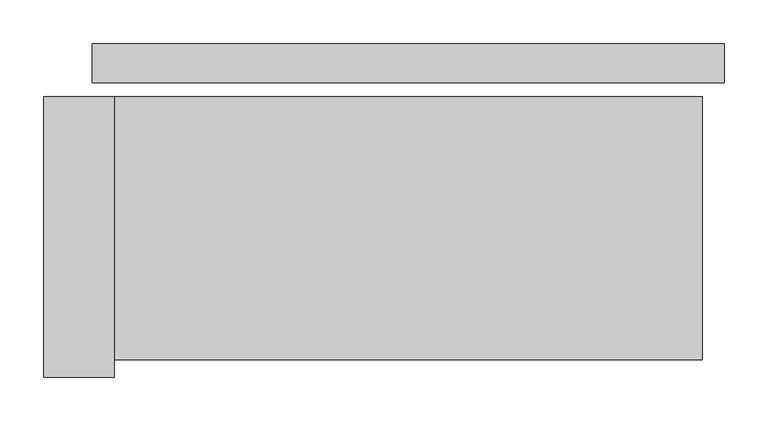
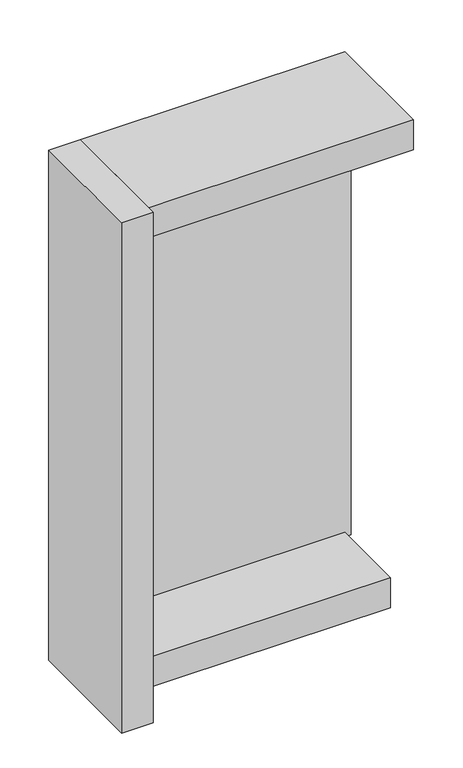
"""IFC4 building model written with IfcOpenShell, lengths in millimetres: plate geometry."""

from ifc_helpers import new_model, si_unit, frame, origin, origin_with_axes, place, context, project, spatial, polyline, outline, extrude, source, transform, mapped, element, save


def plate_9dd50e0e(model_context):
    return source(origin(), model_context, "Body", "SweptSolid", [
        extrude(outline(polyline([(360.0, 0.0), (360.0, -44.0), (-360.0, -44.0), (-360.0, 0.0), (360.0, 0.0)])), origin_with_axes(), (0.0, 0.0, 1.0), 1254.465707),
        extrude(outline(polyline([(-335.0, -60.0), (-335.0, -380.0), (-415.0, -380.0), (-415.0, -60.0), (-335.0, -60.0)])), frame((0.0, 0.0, -55.0), z_axis=(0.0, 0.0, 1.0), x_axis=(1.0, 0.0, 0.0)), (0.0, 0.0, 1.0), 1364.465707),
        extrude(outline(polyline([(335.0, -260.0), (-335.0, -260.0), (-335.0, -60.0), (335.0, -60.0), (335.0, -260.0)])), frame((0.0, 0.0, -55.0), z_axis=(0.0, 0.0, 1.0), x_axis=(1.0, 0.0, 0.0)), (0.0, 0.0, 1.0), 80.0),
        extrude(outline(polyline([(335.0, -60.0), (335.0, -360.0), (-335.0, -360.0), (-335.0, -60.0), (335.0, -60.0)])), frame((0.0, 0.0, 1229.465707), z_axis=(0.0, 0.0, 1.0), x_axis=(1.0, 0.0, 0.0)), (0.0, 0.0, 1.0), 80.0),
    ])


if __name__ == "__main__":
    model = new_model("IFC4")
    model_context = context("Model", 3, world=origin())
    ifc_project = project(units=[si_unit("LENGTHUNIT", "METRE", prefix="MILLI")], contexts=[model_context])
    site = spatial("IfcSite", under=ifc_project)
    building = spatial("IfcBuilding", under=site)
    placement = place(None, origin())
    plate_shape = plate_9dd50e0e(model_context)
    element("IfcPlate", 1, at=placement, inside=building, context=model_context, shape_type="MappedRepresentation", body=[
        mapped(plate_shape, transform((0.0, 0.0, 0.0), x_axis=(1.0, 0.0, 0.0), y_axis=(0.0, 1.0, 0.0), z_axis=(0.0, 0.0, 1.0))),
    ])
    save(model, "model.ifc")
